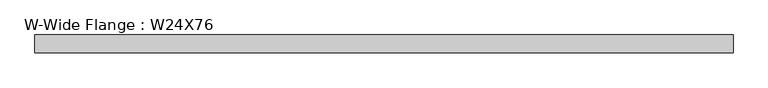
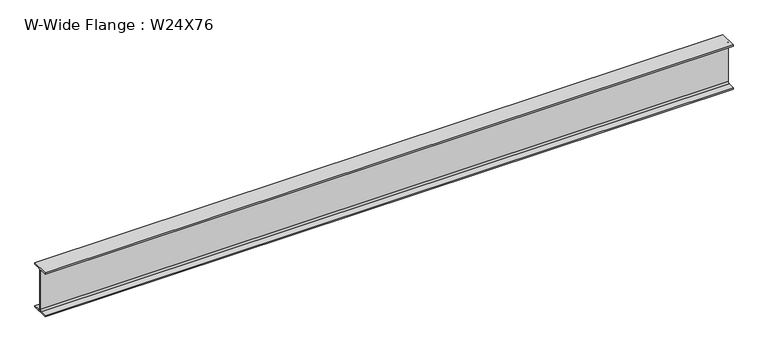
"""IFC4 building model written with IfcOpenShell, lengths in millimetres: beam geometry, W-Wide Flange : W24X76."""

from ifc_helpers import new_model, si_unit, point, frame, frame_2d, origin, place, context, project, spatial, polyline, circle_curve, trimmed, segment, composite_curve, outline, extrude, source, transform, mapped, element, save


def w_wide_flange_w24x76_0f5dd7d0(model_context):
    return source(origin(), model_context, "Body", "SweptSolid", [
        extrude(outline(composite_curve([segment(polyline([(114.1511719, -286.2460938), (114.1511719, -303.5101563), (-114.1511719, -303.5101563), (-114.1511719, -286.2460938), (-28.0292969, -286.2460938)]), True, "CONTINUOUS"), segment(trimmed(circle_curve(frame_2d((-28.0292969, -263.8226563)), 22.4234375), [point((-28.0292969, -286.2460938))], [point((-5.6058594, -263.8226563))], True, "CARTESIAN"), True, "CONTINUOUS"), segment(polyline([(-5.6058594, -263.8226563), (-5.6058594, 263.8226562)]), True, "CONTINUOUS"), segment(trimmed(circle_curve(frame_2d((-28.0292969, 263.8226562)), 22.4234375), [point((-5.6058594, 263.8226562))], [point((-28.0292969, 286.2460937))], True, "CARTESIAN"), True, "CONTINUOUS"), segment(polyline([(-28.0292969, 286.2460937), (-114.1511719, 286.2460937), (-114.1511719, 303.5101562), (114.1511719, 303.5101562), (114.1511719, 286.2460937), (28.0292969, 286.2460937)]), True, "CONTINUOUS"), segment(trimmed(circle_curve(frame_2d((28.0292969, 263.8226562)), 22.4234375), [point((28.0292969, 286.2460937))], [point((5.6058594, 263.8226562))], True, "CARTESIAN"), True, "CONTINUOUS"), segment(polyline([(5.6058594, 263.8226562), (5.6058594, -263.8226563)]), True, "CONTINUOUS"), segment(trimmed(circle_curve(frame_2d((28.0292969, -263.8226563)), 22.4234375), [point((5.6058594, -263.8226563))], [point((28.0292969, -286.2460938))], True, "CARTESIAN"), True, "CONTINUOUS"), segment(polyline([(28.0292969, -286.2460938), (114.1511719, -286.2460938)]), True, "CONTINUOUS")], self_intersect=False)), frame((-4507.5078125, 0.0, 0.0), z_axis=(1.0, 0.0, 0.0), x_axis=(0.0, 1.0, 0.0)), (0.0, 0.0, 1.0), 8962.6777344),
    ])


if __name__ == "__main__":
    model = new_model("IFC4")
    model_context = context("Model", 3, world=origin())
    ifc_project = project(units=[si_unit("LENGTHUNIT", "METRE", prefix="MILLI")], contexts=[model_context])
    site = spatial("IfcSite", under=ifc_project)
    building = spatial("IfcBuilding", under=site)
    placement = place(None, origin())
    w_wide_flange_w24x76_shape = w_wide_flange_w24x76_0f5dd7d0(model_context)
    element("IfcBeam", 1, ObjectType="W-Wide Flange : W24X76", at=placement, inside=building, context=model_context, shape_type="MappedRepresentation", body=[
        mapped(w_wide_flange_w24x76_shape, transform((0.0, 0.0, 0.0), x_axis=(1.0, 0.0, 0.0), y_axis=(0.0, 1.0, 0.0), z_axis=(0.0, 0.0, 1.0))),
    ])
    save(model, "model.ifc")
